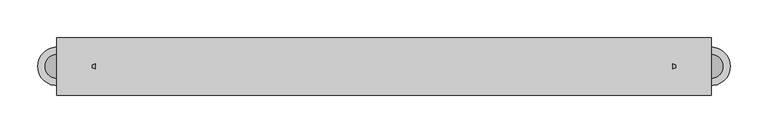
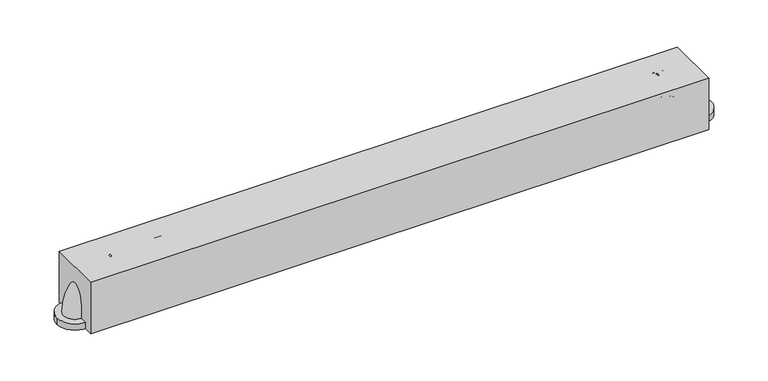
"""IFC4 building model written with IfcOpenShell, lengths in millimetres: proxy geometry."""

from ifc_helpers import new_model, si_unit, point, frame, frame_2d, origin, origin_with_axes, place, context, project, spatial, polyline, circle_curve, ellipse_curve, trimmed, segment, composite_curve, outline, extrude, source, transform, mapped, element, save
from ifc_brep_helpers import plane_surface, revolved_surface, advanced_brep


def specialty_equipment_ed6846ad(model_context):
    return source(origin(), model_context, "Body", "SolidModel", [
        advanced_brep(
        [(383.480906, -15.875, 60.325), (383.480906, 15.875, 60.325), (434.280906, -15.875, 9.525), (434.280906, 15.875, 9.525)],
        [
            (0, 1, circle_curve(frame((383.480906, 0.0, 60.325), z_axis=(-1.0, 0.0, 0.0), x_axis=(0.0, 1.0, 0.0)), 15.875)),
            (1, 0, circle_curve(frame((383.480906, 0.0, 60.325), z_axis=(-1.0, 0.0, 0.0), x_axis=(0.0, 1.0, 0.0)), 15.875)),
            (2, 3, circle_curve(frame((434.280906, 0.0, 9.525), z_axis=(0.0, 0.0, -1.0), x_axis=(0.0, 1.0, 0.0)), 15.875)),
            (3, 2, circle_curve(frame((434.280906, 0.0, 9.525), z_axis=(0.0, 0.0, -1.0), x_axis=(0.0, 1.0, 0.0)), 15.875)),
            (3, 1, circle_curve(frame((383.480906, 15.875, 9.525), z_axis=(0.0, -1.0, 0.0), x_axis=(0.0, 0.0, 1.0)), 50.8)),
            (0, 2, circle_curve(frame((383.480906, -15.875, 9.525), z_axis=(0.0, 1.0, 0.0), x_axis=(0.0, 0.0, 1.0)), 50.8)),
        ],
        [
            plane_surface(frame((383.480906, 0.0, 60.325), z_axis=(-1.0, 0.0, 0.0), x_axis=(0.0, 1.0, 0.0))),
            plane_surface(frame((434.280906, 0.0, 9.525), z_axis=(0.0, 0.0, -1.0), x_axis=(0.0, 1.0, 0.0))),
            revolved_surface(trimmed(ellipse_curve(frame((383.480906, 0.0, 60.325), z_axis=(-1.0, 0.0, 0.0), x_axis=(0.0, 1.0, 0.0)), 15.875, 15.875), [point((383.480906, -15.875, 60.325))], [point((383.480906, 15.875, 60.325))], True, "CARTESIAN"), (383.480906, 0.0, 9.525), (0.0, 1.0, 0.0)),
            revolved_surface(trimmed(ellipse_curve(frame((383.480906, 0.0, 60.325), z_axis=(-1.0, 0.0, 0.0), x_axis=(0.0, 1.0, 0.0)), 15.875, 15.875), [point((383.480906, 15.875, 60.325))], [point((383.480906, -15.875, 60.325))], True, "CARTESIAN"), (383.480906, 0.0, 9.525), (0.0, 1.0, 0.0)),
        ],
        [
            (0, [[1, 2]]),
            (1, [[3, 4]]),
            (2, [[5, -1, 6, -4]]),
            (3, [[-6, -2, -5, -3]]),
        ],
    ),
        extrude(outline(composite_curve([segment(trimmed(circle_curve(frame_2d((434.280906, 0.0)), 25.4), [point((459.680906, 0.0))], [point((408.880906, 0.0))], False, "CARTESIAN"), True, "CONTINUOUS"), segment(trimmed(circle_curve(frame_2d((434.280906, 0.0)), 25.4), [point((408.880906, 0.0))], [point((459.680906, 0.0))], False, "CARTESIAN"), True, "CONTINUOUS")], self_intersect=False)), origin_with_axes(), (0.0, 0.0, 1.0), 9.525),
        advanced_brep(
        [(-383.480906, -15.875, 60.325), (-383.480906, 15.875, 60.325), (-434.280906, -15.875, 9.525), (-434.280906, 15.875, 9.525)],
        [
            (0, 1, circle_curve(frame((-383.480906, 0.0, 60.325), z_axis=(1.0, 0.0, 0.0), x_axis=(0.0, 1.0, 0.0)), 15.875)),
            (1, 0, circle_curve(frame((-383.480906, 0.0, 60.325), z_axis=(1.0, 0.0, 0.0), x_axis=(0.0, 1.0, 0.0)), 15.875)),
            (2, 3, circle_curve(frame((-434.280906, 0.0, 9.525), z_axis=(0.0, 0.0, -1.0), x_axis=(0.0, 1.0, 0.0)), 15.875)),
            (3, 2, circle_curve(frame((-434.280906, 0.0, 9.525), z_axis=(0.0, 0.0, -1.0), x_axis=(0.0, 1.0, 0.0)), 15.875)),
            (2, 0, circle_curve(frame((-383.480906, -15.875, 9.525), z_axis=(0.0, 1.0, 0.0), x_axis=(0.0, 0.0, 1.0)), 50.8)),
            (1, 3, circle_curve(frame((-383.480906, 15.875, 9.525), z_axis=(0.0, -1.0, 0.0), x_axis=(0.0, 0.0, 1.0)), 50.8)),
        ],
        [
            plane_surface(frame((-383.480906, 0.0, 60.325), z_axis=(1.0, 0.0, 0.0), x_axis=(0.0, 1.0, 0.0))),
            plane_surface(frame((-434.280906, 0.0, 9.525), z_axis=(0.0, 0.0, -1.0), x_axis=(0.0, 1.0, 0.0))),
            revolved_surface(trimmed(ellipse_curve(frame((-383.480906, 0.0, 60.325), z_axis=(-1.0, 0.0, 0.0), x_axis=(0.0, 1.0, 0.0)), 15.875, 15.875), [point((-383.480906, -15.875, 60.325))], [point((-383.480906, 15.875, 60.325))], True, "CARTESIAN"), (-383.480906, 0.0, 9.525), (0.0, 1.0, 0.0)),
            revolved_surface(trimmed(ellipse_curve(frame((-383.480906, 0.0, 60.325), z_axis=(-1.0, 0.0, 0.0), x_axis=(0.0, 1.0, 0.0)), 15.875, 15.875), [point((-383.480906, 15.875, 60.325))], [point((-383.480906, -15.875, 60.325))], True, "CARTESIAN"), (-383.480906, 0.0, 9.525), (0.0, 1.0, 0.0)),
        ],
        [
            (0, [[1, 2]]),
            (1, [[3, 4]]),
            (2, [[-3, 5, -2, 6]]),
            (3, [[-4, -6, -1, -5]]),
        ],
    ),
        extrude(outline(composite_curve([segment(trimmed(circle_curve(frame_2d((-434.280906, 0.0)), 25.4), [point((-459.680906, 0.0))], [point((-408.880906, 0.0))], False, "CARTESIAN"), True, "CONTINUOUS"), segment(trimmed(circle_curve(frame_2d((-434.280906, 0.0)), 25.4), [point((-408.880906, 0.0))], [point((-459.680906, 0.0))], False, "CARTESIAN"), True, "CONTINUOUS")], self_intersect=False)), origin_with_axes(), (0.0, 0.0, 1.0), 9.525),
        extrude(outline(polyline([(434.280906, 38.1), (434.280906, -38.1), (-434.280906, -38.1), (-434.280906, 38.1), (434.280906, 38.1)])), origin_with_axes(), (0.0, 0.0, 1.0), 76.2),
        extrude(outline(composite_curve([segment(trimmed(circle_curve(frame_2d((0.0, 60.325)), 15.875), [point((15.875, 60.325))], [point((-15.875, 60.325))], False, "CARTESIAN"), True, "CONTINUOUS"), segment(trimmed(circle_curve(frame_2d((0.0, 60.325)), 15.875), [point((-15.875, 60.325))], [point((15.875, 60.325))], False, "CARTESIAN"), True, "CONTINUOUS")], self_intersect=False)), frame((-383.480906, 0.0, 0.0), z_axis=(1.0, 0.0, 0.0), x_axis=(0.0, 1.0, 0.0)), (0.0, 0.0, 1.0), 766.961812),
    ])


if __name__ == "__main__":
    model = new_model("IFC4")
    model_context = context("Model", 3, world=origin())
    ifc_project = project(units=[si_unit("LENGTHUNIT", "METRE", prefix="MILLI")], contexts=[model_context])
    site = spatial("IfcSite", under=ifc_project)
    building = spatial("IfcBuilding", under=site)
    placement = place(None, origin())
    specialty_equipment_shape = specialty_equipment_ed6846ad(model_context)
    element("IfcBuildingElementProxy", 1, Name="Specialty Equipment", at=placement, inside=building, context=model_context, shape_type="MappedRepresentation", body=[
        mapped(specialty_equipment_shape, transform((0.0, 0.0, 0.0), x_axis=(1.0, 0.0, 0.0), y_axis=(0.0, 1.0, 0.0), z_axis=(0.0, 0.0, 1.0))),
    ])
    save(model, "model.ifc")
